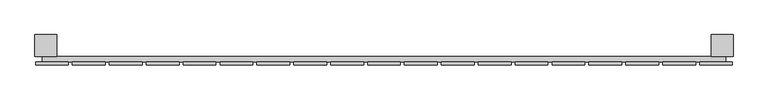
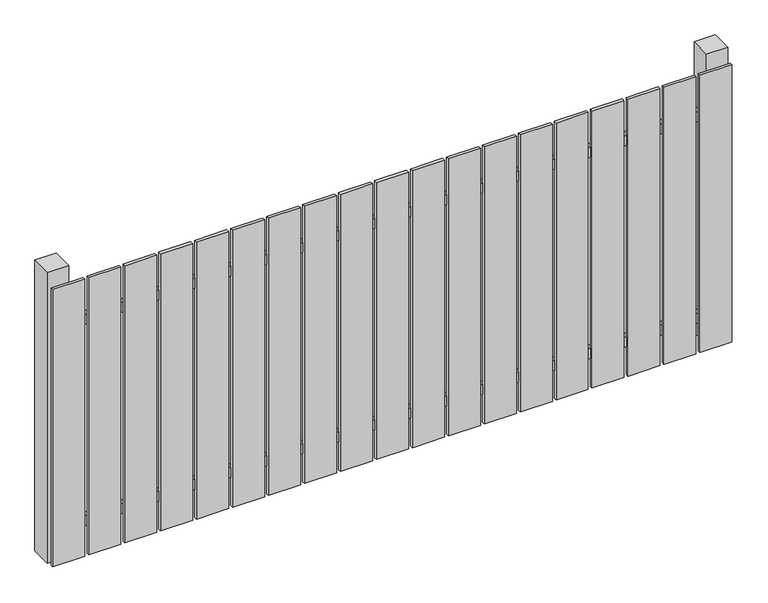
"""IFC4 building model written with IfcOpenShell, lengths in millimetres: railing geometry."""

from ifc_helpers import new_model, si_unit, frame, origin, origin_with_axes, place, context, project, spatial, polyline, outline, extrude, source, transform, mapped, element, save


def railing_4b9776fe(model_context):
    return source(origin(), model_context, "Body", "SweptSolid", [
        extrude(outline(polyline([(11087.4299228, -116939.0267127), (11087.4299228, -116919.0267127), (13587.4299228, -116919.0267127), (13587.4299228, -116939.0267127), (11087.4299228, -116939.0267127)])), frame((0.0, 0.0, 110.0), z_axis=(0.0, 0.0, 1.0), x_axis=(1.0, 0.0, 0.0)), (0.0, 0.0, 1.0), 40.0),
        extrude(outline(polyline([(11087.4299228, -116939.0267127), (11087.4299228, -116919.0267127), (13587.4299228, -116919.0267127), (13587.4299228, -116939.0267127), (11087.4299228, -116939.0267127)])), frame((0.0, 0.0, 910.0), z_axis=(0.0, 0.0, 1.0), x_axis=(1.0, 0.0, 0.0)), (0.0, 0.0, 1.0), 40.0),
        extrude(outline(polyline([(13492.4299228, -116950.5267127), (13492.4299228, -116939.5267127), (13612.4299228, -116939.5267127), (13612.4299228, -116950.5267127), (13492.4299228, -116950.5267127)])), origin_with_axes(), (0.0, 0.0, 1.0), 1100.0),
        extrude(outline(polyline([(13357.4299228, -116950.5267127), (13357.4299228, -116939.5267127), (13477.4299228, -116939.5267127), (13477.4299228, -116950.5267127), (13357.4299228, -116950.5267127)])), origin_with_axes(), (0.0, 0.0, 1.0), 1100.0),
        extrude(outline(polyline([(13222.4299228, -116950.5267127), (13222.4299228, -116939.5267127), (13342.4299228, -116939.5267127), (13342.4299228, -116950.5267127), (13222.4299228, -116950.5267127)])), origin_with_axes(), (0.0, 0.0, 1.0), 1100.0),
        extrude(outline(polyline([(13087.4299228, -116950.5267127), (13087.4299228, -116939.5267127), (13207.4299228, -116939.5267127), (13207.4299228, -116950.5267127), (13087.4299228, -116950.5267127)])), origin_with_axes(), (0.0, 0.0, 1.0), 1100.0),
        extrude(outline(polyline([(12952.4299228, -116950.5267127), (12952.4299228, -116939.5267127), (13072.4299228, -116939.5267127), (13072.4299228, -116950.5267127), (12952.4299228, -116950.5267127)])), origin_with_axes(), (0.0, 0.0, 1.0), 1100.0),
        extrude(outline(polyline([(12817.4299228, -116950.5267127), (12817.4299228, -116939.5267127), (12937.4299228, -116939.5267127), (12937.4299228, -116950.5267127), (12817.4299228, -116950.5267127)])), origin_with_axes(), (0.0, 0.0, 1.0), 1100.0),
        extrude(outline(polyline([(12682.4299228, -116950.5267127), (12682.4299228, -116939.5267127), (12802.4299228, -116939.5267127), (12802.4299228, -116950.5267127), (12682.4299228, -116950.5267127)])), origin_with_axes(), (0.0, 0.0, 1.0), 1100.0),
        extrude(outline(polyline([(12547.4299228, -116950.5267127), (12547.4299228, -116939.5267127), (12667.4299228, -116939.5267127), (12667.4299228, -116950.5267127), (12547.4299228, -116950.5267127)])), origin_with_axes(), (0.0, 0.0, 1.0), 1100.0),
        extrude(outline(polyline([(12412.4299228, -116950.5267127), (12412.4299228, -116939.5267127), (12532.4299228, -116939.5267127), (12532.4299228, -116950.5267127), (12412.4299228, -116950.5267127)])), origin_with_axes(), (0.0, 0.0, 1.0), 1100.0),
        extrude(outline(polyline([(12277.4299228, -116950.5267127), (12277.4299228, -116939.5267127), (12397.4299228, -116939.5267127), (12397.4299228, -116950.5267127), (12277.4299228, -116950.5267127)])), origin_with_axes(), (0.0, 0.0, 1.0), 1100.0),
        extrude(outline(polyline([(12142.4299228, -116950.5267127), (12142.4299228, -116939.5267127), (12262.4299228, -116939.5267127), (12262.4299228, -116950.5267127), (12142.4299228, -116950.5267127)])), origin_with_axes(), (0.0, 0.0, 1.0), 1100.0),
        extrude(outline(polyline([(12007.4299228, -116950.5267127), (12007.4299228, -116939.5267127), (12127.4299228, -116939.5267127), (12127.4299228, -116950.5267127), (12007.4299228, -116950.5267127)])), origin_with_axes(), (0.0, 0.0, 1.0), 1100.0),
        extrude(outline(polyline([(11872.4299228, -116950.5267127), (11872.4299228, -116939.5267127), (11992.4299228, -116939.5267127), (11992.4299228, -116950.5267127), (11872.4299228, -116950.5267127)])), origin_with_axes(), (0.0, 0.0, 1.0), 1100.0),
        extrude(outline(polyline([(11737.4299228, -116950.5267127), (11737.4299228, -116939.5267127), (11857.4299228, -116939.5267127), (11857.4299228, -116950.5267127), (11737.4299228, -116950.5267127)])), origin_with_axes(), (0.0, 0.0, 1.0), 1100.0),
        extrude(outline(polyline([(11602.4299228, -116950.5267127), (11602.4299228, -116939.5267127), (11722.4299228, -116939.5267127), (11722.4299228, -116950.5267127), (11602.4299228, -116950.5267127)])), origin_with_axes(), (0.0, 0.0, 1.0), 1100.0),
        extrude(outline(polyline([(11467.4299228, -116950.5267127), (11467.4299228, -116939.5267127), (11587.4299228, -116939.5267127), (11587.4299228, -116950.5267127), (11467.4299228, -116950.5267127)])), origin_with_axes(), (0.0, 0.0, 1.0), 1100.0),
        extrude(outline(polyline([(11332.4299228, -116950.5267127), (11332.4299228, -116939.5267127), (11452.4299228, -116939.5267127), (11452.4299228, -116950.5267127), (11332.4299228, -116950.5267127)])), origin_with_axes(), (0.0, 0.0, 1.0), 1100.0),
        extrude(outline(polyline([(11197.4299228, -116950.5267127), (11197.4299228, -116939.5267127), (11317.4299228, -116939.5267127), (11317.4299228, -116950.5267127), (11197.4299228, -116950.5267127)])), origin_with_axes(), (0.0, 0.0, 1.0), 1100.0),
        extrude(outline(polyline([(11062.4299228, -116950.5267127), (11062.4299228, -116939.5267127), (11182.4299228, -116939.5267127), (11182.4299228, -116950.5267127), (11062.4299228, -116950.5267127)])), origin_with_axes(), (0.0, 0.0, 1.0), 1100.0),
        extrude(outline(polyline([(13534.9299228, -116839.0267127), (13614.9299228, -116839.0267127), (13614.9299228, -116919.0267127), (13534.9299228, -116919.0267127), (13534.9299228, -116839.0267127)])), frame((0.0, 0.0, -4.0), z_axis=(0.0, 0.0, 1.0), x_axis=(1.0, 0.0, 0.0)), (0.0, 0.0, 1.0), 1154.0),
        extrude(outline(polyline([(11059.9299228, -116839.0267127), (11139.9299228, -116839.0267127), (11139.9299228, -116919.0267127), (11059.9299228, -116919.0267127), (11059.9299228, -116839.0267127)])), frame((0.0, 0.0, -4.0), z_axis=(0.0, 0.0, 1.0), x_axis=(1.0, 0.0, 0.0)), (0.0, 0.0, 1.0), 1154.0),
    ])


if __name__ == "__main__":
    model = new_model("IFC4")
    model_context = context("Model", 3, world=origin())
    ifc_project = project(units=[si_unit("LENGTHUNIT", "METRE", prefix="MILLI")], contexts=[model_context])
    site = spatial("IfcSite", under=ifc_project)
    building = spatial("IfcBuilding", under=site)
    placement = place(None, origin())
    railing_shape = railing_4b9776fe(model_context)
    element("IfcRailing", 1, at=placement, inside=building, context=model_context, shape_type="MappedRepresentation", body=[
        mapped(railing_shape, transform((0.0, 0.0, 0.0), x_axis=(1.0, 0.0, 0.0), y_axis=(0.0, 1.0, 0.0), z_axis=(0.0, 0.0, 1.0))),
    ])
    save(model, "model.ifc")
